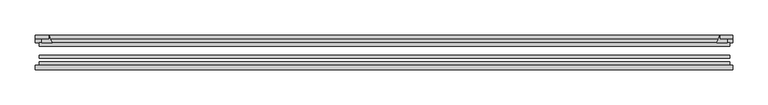
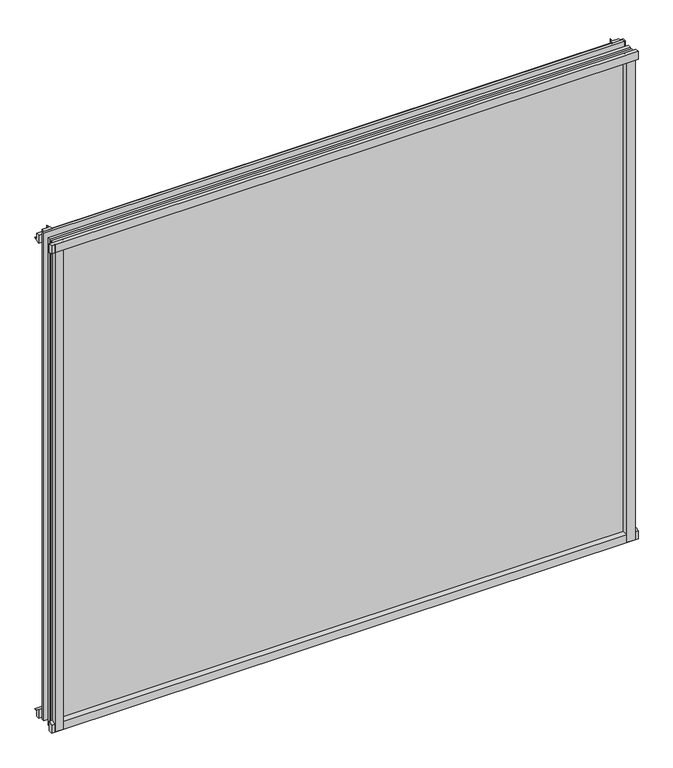
"""IFC4 building model written with IfcOpenShell, lengths in millimetres: plate geometry."""

from ifc_helpers import new_model, si_unit, point, frame, frame_2d, origin, place, context, project, spatial, polyline, circle_curve, trimmed, segment, composite_curve, outline, extrude, source, transform, mapped, element, save


def plate_c9fbac68(model_context):
    return source(origin(), model_context, "Body", "SweptSolid", [
        extrude(outline(composite_curve([segment(polyline([(-85.1328625, 855.6813002), (-78.7828625, 855.6813002), (-78.7828625, 839.4311909)]), True, "CONTINUOUS"), segment(trimmed(circle_curve(frame_2d((-85.0581856, 830.3814356)), 11.0126179), [point((-78.7828625, 839.4311909))], [point((-85.1328625, 841.3938002))], True, "CARTESIAN"), True, "CONTINUOUS"), segment(polyline([(-85.1328625, 841.3938002), (-85.1328625, 855.6813002)]), True, "CONTINUOUS")], self_intersect=False)), frame((-496.2921875, 0.0, 0.0), z_axis=(1.0, 0.0, 0.0), x_axis=(0.0, 1.0, 0.0)), (0.0, 0.0, 1.0), 991.39375),
        extrude(outline(composite_curve([segment(polyline([(-490.5375, -78.7828625), (-473.6762844, -78.7828625)]), True, "CONTINUOUS"), segment(trimmed(circle_curve(frame_2d((-463.1138809, -86.7604812)), 13.2365693), [point((-473.6762844, -78.7828625))], [point((-476.25, -85.1328625))], True, "CARTESIAN"), True, "CONTINUOUS"), segment(polyline([(-476.25, -85.1328625), (-490.5375, -85.1328625), (-490.5375, -78.7828625)]), True, "CONTINUOUS")], self_intersect=False)), frame((0.0, 0.0, -14.2875), z_axis=(0.0, 0.0, 1.0), x_axis=(1.0, 0.0, 0.0)), (0.0, 0.0, 1.0), 869.95),
        extrude(outline(composite_curve([segment(polyline([(490.5375, -78.7828625), (490.5375, -85.1328625), (476.25, -85.1328625)]), True, "CONTINUOUS"), segment(trimmed(circle_curve(frame_2d((463.1138809, -86.7604812)), 13.2365693), [point((476.25, -85.1328625))], [point((473.6762844, -78.7828625))], True, "CARTESIAN"), True, "CONTINUOUS"), segment(polyline([(473.6762844, -78.7828625), (490.5375, -78.7828625)]), True, "CONTINUOUS")], self_intersect=False)), frame((0.0, 0.0, -14.2875), z_axis=(0.0, 0.0, 1.0), x_axis=(1.0, 0.0, 0.0)), (0.0, 0.0, 1.0), 869.95),
        extrude(outline(composite_curve([segment(polyline([(-47.1852625, -10.4712201), (-47.1852625, 3.9588469)]), True, "CONTINUOUS"), segment(trimmed(circle_curve(frame_2d((-30.6824422, 32.267054)), 32.7673262), [point((-47.1852625, 3.9588469))], [point((-36.3503395, -0.00635))], True, "CARTESIAN"), True, "CONTINUOUS"), segment(polyline([(-36.3503395, -0.00635), (-42.2830625, -0.00635), (-42.2830625, -10.4712201), (-47.1852625, -10.4712201)]), True, "CONTINUOUS")], self_intersect=False)), frame((-496.2921875, 0.0, 0.0), z_axis=(1.0, 0.0, 0.0), x_axis=(0.0, 1.0, 0.0)), (0.0, 0.0, 1.0), 991.39375),
        extrude(outline(composite_curve([segment(polyline([(-78.7828625, -14.2875), (-85.1328625, -14.2875), (-85.1328625, -0.0127)]), True, "CONTINUOUS"), segment(trimmed(circle_curve(frame_2d((-86.7604812, 13.1234191)), 13.2365693), [point((-85.1328625, -0.0127))], [point((-78.7828625, 2.5610156))], True, "CARTESIAN"), True, "CONTINUOUS"), segment(polyline([(-78.7828625, 2.5610156), (-78.7828625, -14.2875)]), True, "CONTINUOUS")], self_intersect=False)), frame((-496.2921875, 0.0, 0.0), z_axis=(1.0, 0.0, 0.0), x_axis=(0.0, 1.0, 0.0)), (0.0, 0.0, 1.0), 991.39375),
        extrude(outline(composite_curve([segment(polyline([(-47.1852625, 837.4034531), (-47.1852625, 852.0752564), (-42.2830625, 852.0752564), (-42.2830625, 841.375), (-36.3140625, 841.375)]), True, "CONTINUOUS"), segment(trimmed(circle_curve(frame_2d((-30.6824422, 809.095246)), 32.7673262), [point((-36.3140625, 841.375))], [point((-47.1852625, 837.4034531))], True, "CARTESIAN"), True, "CONTINUOUS")], self_intersect=False)), frame((-496.2921875, 0.0, 0.0), z_axis=(1.0, 0.0, 0.0), x_axis=(0.0, 1.0, 0.0)), (0.0, 0.0, 1.0), 991.39375),
        extrude(outline(composite_curve([segment(trimmed(circle_curve(frame_2d((443.970246, -30.6824422)), 32.7673262), [point((472.2784531, -47.1852625))], [point((476.25, -36.3140625))], True, "CARTESIAN"), True, "CONTINUOUS"), segment(polyline([(476.25, -36.3140625), (476.25, -42.2830625), (486.9503653, -42.2830625), (486.9503653, -47.1852625), (472.2784531, -47.1852625)]), True, "CONTINUOUS")], self_intersect=False)), frame((0.0, 0.0, -14.2875), z_axis=(0.0, 0.0, 1.0), x_axis=(1.0, 0.0, 0.0)), (0.0, 0.0, 1.0), 869.95),
        extrude(outline(composite_curve([segment(polyline([(-472.2784531, -47.1852625), (-486.9452092, -47.1852625), (-486.9452092, -42.2830625), (-476.25, -42.2830625), (-476.25, -36.3140625)]), True, "CONTINUOUS"), segment(trimmed(circle_curve(frame_2d((-443.970246, -30.6824422)), 32.7673262), [point((-476.25, -36.3140625))], [point((-472.2784531, -47.1852625))], True, "CARTESIAN"), True, "CONTINUOUS")], self_intersect=False)), frame((0.0, 0.0, -14.2875), z_axis=(0.0, 0.0, 1.0), x_axis=(1.0, 0.0, 0.0)), (0.0, 0.0, 1.0), 869.95),
        extrude(outline(polyline([(490.5375, -64.6604625), (490.5375, -69.4356625), (-490.5375, -69.4356625), (-490.5375, -64.6604625), (490.5375, -64.6604625)])), frame((0.0, 0.0, -14.2875), z_axis=(0.0, 0.0, 1.0), x_axis=(1.0, 0.0, 0.0)), (0.0, 0.0, 1.0), 869.95),
        extrude(outline(polyline([(-490.5375, -78.7828625), (-490.5375, -74.0076625), (490.5375, -74.0076625), (490.5375, -78.7828625), (-490.5375, -78.7828625)])), frame((0.0, 0.0, -14.2875), z_axis=(0.0, 0.0, 1.0), x_axis=(1.0, 0.0, 0.0)), (0.0, 0.0, 1.0), 869.95),
        extrude(outline(polyline([(-490.5375, -47.1852625), (490.5375, -47.1852625), (490.5375, -51.9604625), (-490.5375, -51.9604625), (-490.5375, -47.1852625)])), frame((0.0, 0.0, -14.2875), z_axis=(0.0, 0.0, 1.0), x_axis=(1.0, 0.0, 0.0)), (0.0, 0.0, 1.0), 869.95),
    ])


if __name__ == "__main__":
    model = new_model("IFC4")
    model_context = context("Model", 3, world=origin())
    ifc_project = project(units=[si_unit("LENGTHUNIT", "METRE", prefix="MILLI")], contexts=[model_context])
    site = spatial("IfcSite", under=ifc_project)
    building = spatial("IfcBuilding", under=site)
    placement = place(None, origin())
    plate_shape = plate_c9fbac68(model_context)
    element("IfcPlate", 1, at=placement, inside=building, context=model_context, shape_type="MappedRepresentation", body=[
        mapped(plate_shape, transform((0.0, 0.0, 0.0), x_axis=(1.0, 0.0, 0.0), y_axis=(0.0, 1.0, 0.0), z_axis=(0.0, 0.0, 1.0))),
    ])
    save(model, "model.ifc")
